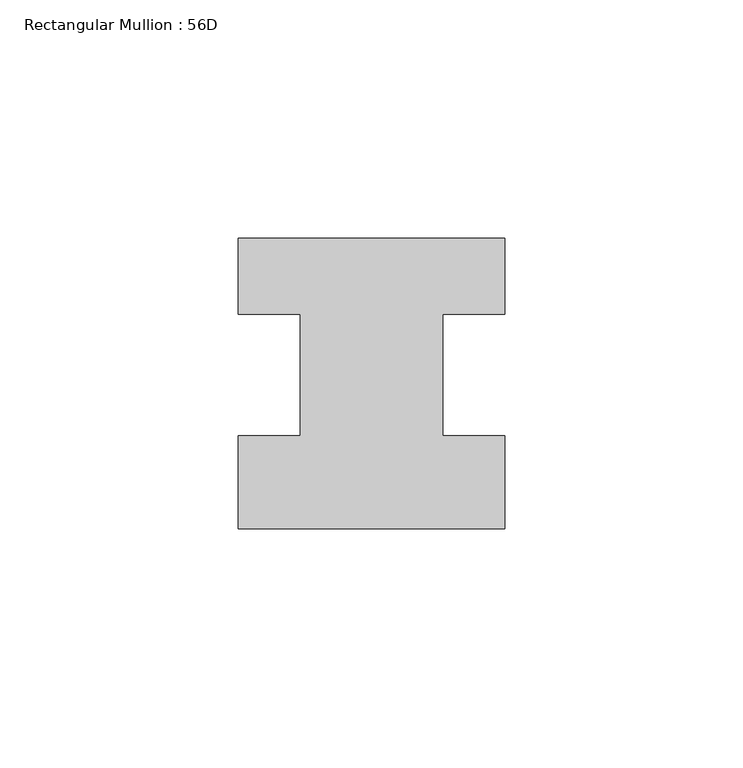
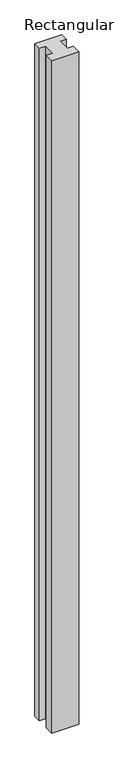
"""IFC4 building model written with IfcOpenShell, lengths in millimetres: member geometry, Rectangular Mullion : 56D."""

from ifc_helpers import new_model, si_unit, frame, origin, place, context, project, spatial, polyline, outline, extrude, source, transform, mapped, element, save


def rectangular_mullion_56d_e5aaaff0(model_context):
    return source(origin(), model_context, "Body", "SweptSolid", [
        extrude(outline(polyline([(28.0, -20.0), (-28.0, -20.0), (-28.0, -0.5), (-15.0, -0.5), (-15.0, 25.0), (-28.0, 25.0), (-28.0, 41.0), (28.0, 41.0), (28.0, 25.0), (15.0, 25.0), (15.0, -0.5), (28.0, -0.5), (28.0, -20.0)])), frame((0.0, 0.0, -1477.534293), z_axis=(0.0, 0.0, 1.0), x_axis=(1.0, 0.0, 0.0)), (0.0, 0.0, 1.0), 1477.534293),
    ])


if __name__ == "__main__":
    model = new_model("IFC4")
    model_context = context("Model", 3, world=origin())
    ifc_project = project(units=[si_unit("LENGTHUNIT", "METRE", prefix="MILLI")], contexts=[model_context])
    site = spatial("IfcSite", under=ifc_project)
    building = spatial("IfcBuilding", under=site)
    placement = place(None, origin())
    rectangular_mullion_56d_shape = rectangular_mullion_56d_e5aaaff0(model_context)
    element("IfcMember", 1, ObjectType="Rectangular Mullion : 56D", at=placement, inside=building, context=model_context, shape_type="MappedRepresentation", body=[
        mapped(rectangular_mullion_56d_shape, transform((0.0, 0.0, 0.0), x_axis=(1.0, 0.0, 0.0), y_axis=(0.0, 1.0, 0.0), z_axis=(0.0, 0.0, 1.0))),
    ])
    save(model, "model.ifc")
